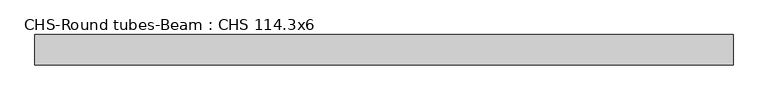
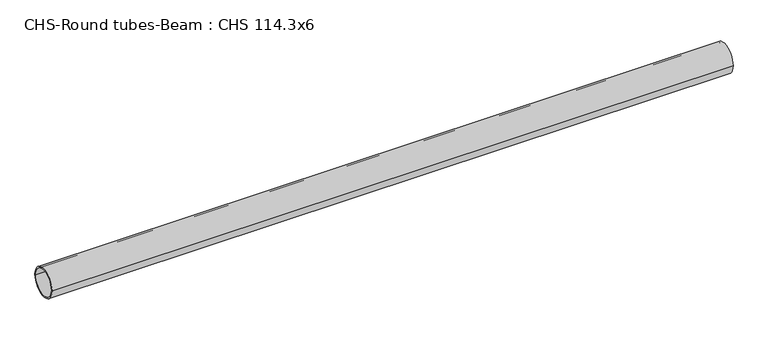
"""IFC4 building model written with IfcOpenShell, lengths in millimetres: beam geometry, CHS-Round tubes-Beam : CHS 114.3x6."""

from ifc_helpers import new_model, si_unit, point, frame, origin, origin_2d, place, context, project, spatial, circle_curve, trimmed, segment, composite_curve, outline, extrude, source, transform, mapped, element, save


def chs_round_tubes_beam_chs_114_3x6_c2e8307f(model_context):
    return source(origin(), model_context, "Body", "SweptSolid", [
        extrude(outline(composite_curve([segment(trimmed(circle_curve(origin_2d(), 57.15), [point((57.15, 0.0))], [point((-57.15, 0.0))], False, "CARTESIAN"), True, "CONTINUOUS"), segment(trimmed(circle_curve(origin_2d(), 57.15), [point((-57.15, 0.0))], [point((57.15, 0.0))], False, "CARTESIAN"), True, "CONTINUOUS")], self_intersect=False), holes=[composite_curve([segment(trimmed(circle_curve(origin_2d(), 51.15), [point((51.15, 0.0))], [point((-51.15, 0.0))], True, "CARTESIAN"), True, "CONTINUOUS"), segment(trimmed(circle_curve(origin_2d(), 51.15), [point((-51.15, 0.0))], [point((51.15, 0.0))], True, "CARTESIAN"), True, "CONTINUOUS")], self_intersect=False)]), frame((-1318.1509689, 0.0, 0.0), z_axis=(1.0, 0.0, 0.0), x_axis=(0.0, 1.0, 0.0)), (0.0, 0.0, 1.0), 2625.5389365),
    ])


if __name__ == "__main__":
    model = new_model("IFC4")
    model_context = context("Model", 3, world=origin())
    ifc_project = project(units=[si_unit("LENGTHUNIT", "METRE", prefix="MILLI")], contexts=[model_context])
    site = spatial("IfcSite", under=ifc_project)
    building = spatial("IfcBuilding", under=site)
    placement = place(None, origin())
    chs_round_tubes_beam_chs_114_3x6_shape = chs_round_tubes_beam_chs_114_3x6_c2e8307f(model_context)
    element("IfcBeam", 1, ObjectType="CHS-Round tubes-Beam : CHS 114.3x6", at=placement, inside=building, context=model_context, shape_type="MappedRepresentation", body=[
        mapped(chs_round_tubes_beam_chs_114_3x6_shape, transform((0.0, 0.0, 0.0), x_axis=(1.0, 0.0, 0.0), y_axis=(0.0, 1.0, 0.0), z_axis=(0.0, 0.0, 1.0))),
    ])
    save(model, "model.ifc")
